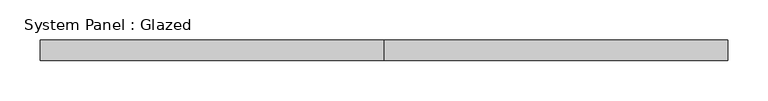
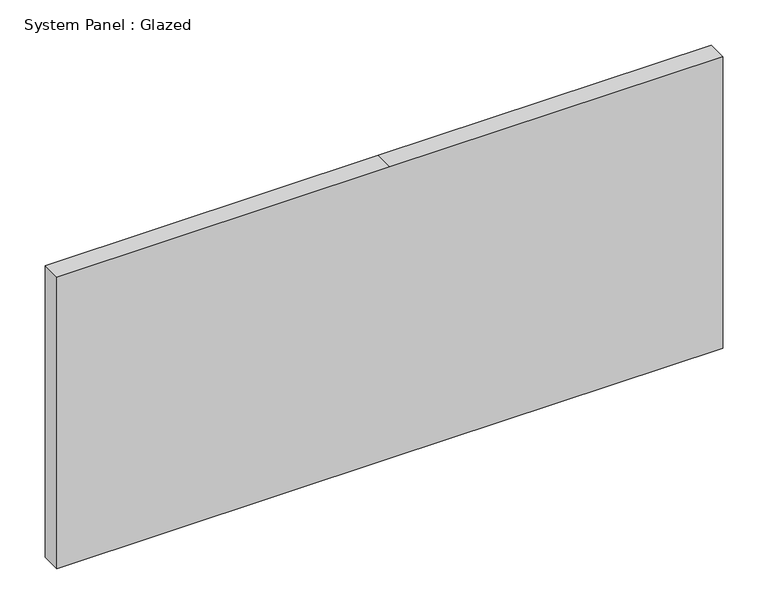
"""IFC4 building model written with IfcOpenShell, lengths in millimetres: plate geometry, System Panel : Glazed."""

import ifcopenshell
import ifcopenshell.guid

model = None  # the IFC model being written
_history = None  # IfcOwnerHistory: only IFC2X3 demands one
_inside = {}  # id of a spatial element -> (the spatial element, [elements in it])
_under = {}  # id of a project, library or spatial element -> (it, [spatial elements below it])
_declared = {}  # id of a project -> (the project, [libraries it declares])
_typed = {}  # id of a type object -> (the type object, [elements of that type])
_made_of = {}  # id of a material, layer set ... -> (it, [elements and type objects made of it])


def new_model(schema):
    """Start an empty IFC model of exactly this schema.

    Asked for "IFC4X3", IfcOpenShell would pick the latest addendum, in which some entities
    have other attributes; the version numbers below select the first issue.
    IFC2X3 requires an IfcOwnerHistory on every rooted entity: one is made here for all.
    """
    global model, _history
    if schema == "IFC4X3":
        model = ifcopenshell.file(schema_version=(4, 3, 0, 0))
    else:
        model = ifcopenshell.file(schema=schema)
    _inside.clear()
    _under.clear()
    _declared.clear()
    _typed.clear()
    _made_of.clear()
    _history = None
    if model.schema == "IFC2X3":
        org = make("IfcOrganization", Name="unknown")
        user = make(
            "IfcPersonAndOrganization",
            ThePerson=make("IfcPerson", FamilyName="unknown"),
            TheOrganization=org,
        )
        app = make(
            "IfcApplication",
            ApplicationDeveloper=org,
            Version="unknown",
            ApplicationFullName="unknown",
            ApplicationIdentifier="unknown",
        )
        _history = make(
            "IfcOwnerHistory",
            OwningUser=user,
            OwningApplication=app,
            ChangeAction="ADDED",
            CreationDate=0,
        )
    return model


def make(cls, **values):
    """One entity of the class cls with the attributes given. An attribute that is None is left unset."""
    return model.create_entity(
        cls, **{name: value for name, value in values.items() if value is not None}
    )


def rooted(cls, **values):
    """An entity with a GlobalId (a new one), such as an element, a storey or a relation."""
    return make(cls, GlobalId=ifcopenshell.guid.new(), OwnerHistory=_history, **values)


def si_unit(unit_type, name, prefix=None):
    """IfcSIUnit, for example si_unit("LENGTHUNIT", "METRE", prefix="MILLI")."""
    return make("IfcSIUnit", UnitType=unit_type, Prefix=prefix, Name=name)


def assignment(units):
    """IfcUnitAssignment: the units of a project."""
    return None if units is None else make("IfcUnitAssignment", Units=units)


def point(xyz):
    """IfcCartesianPoint."""
    return None if xyz is None else make("IfcCartesianPoint", Coordinates=xyz)


def direction(xyz):
    """IfcDirection."""
    return None if xyz is None else make("IfcDirection", DirectionRatios=xyz)


def frame(location, z_axis=None, x_axis=None):
    """IfcAxis2Placement3D, a coordinate frame: its origin and axes. An axis left out is left unset."""
    return make(
        "IfcAxis2Placement3D",
        Location=point(location),
        Axis=direction(z_axis),
        RefDirection=direction(x_axis),
    )


def origin():
    """The frame at (0, 0, 0) with its axes left unset."""
    return frame((0.0, 0.0, 0.0))


def place(relative_to, where):
    """IfcLocalPlacement: puts the frame where relative to a parent placement (None: the world)."""
    return make(
        "IfcLocalPlacement", PlacementRelTo=relative_to, RelativePlacement=where
    )


def context(
    kind, dimensions, precision=None, world=None, true_north=None, identifier=None
):
    """IfcGeometricRepresentationContext, for example the 3D "Model" context."""
    return make(
        "IfcGeometricRepresentationContext",
        ContextIdentifier=identifier,
        ContextType=kind,
        CoordinateSpaceDimension=dimensions,
        Precision=precision,
        WorldCoordinateSystem=world,
        TrueNorth=true_north,
    )


def project(units=None, contexts=None):
    """IfcProject with its units and contexts."""
    return rooted(
        "IfcProject",
        Name="project",
        RepresentationContexts=contexts,
        UnitsInContext=assignment(units),
    )


def spatial(cls, under=None, at=None, **own):
    """A site, building, storey or space (cls), placed at a placement, below another one or the project."""
    s = rooted(cls, ObjectPlacement=at, **own)
    if under is not None:
        _under.setdefault(under.id(), (under, []))[1].append(s)
    return s


def polyline(points):
    """IfcPolyline through the points."""
    return make("IfcPolyline", Points=[point(p) for p in points])


def outline(outer, holes=None, kind="AREA"):
    """IfcArbitraryClosedProfileDef: a profile drawn as a closed curve; with holes, ...WithVoids."""
    if holes is None:
        return make("IfcArbitraryClosedProfileDef", ProfileType=kind, OuterCurve=outer)
    return make(
        "IfcArbitraryProfileDefWithVoids",
        ProfileType=kind,
        OuterCurve=outer,
        InnerCurves=holes,
    )


def extrude(swept, where, along, depth):
    """IfcExtrudedAreaSolid: the profile swept, set in the frame where, extruded along a direction by depth."""
    return make(
        "IfcExtrudedAreaSolid",
        SweptArea=swept,
        Position=where,
        ExtrudedDirection=direction(along),
        Depth=depth,
    )


def shape(context_of_items, identifier, shape_type, items):
    """IfcShapeRepresentation: the items that make up one representation, for example the "Body"."""
    return make(
        "IfcShapeRepresentation",
        ContextOfItems=context_of_items,
        RepresentationIdentifier=identifier,
        RepresentationType=shape_type,
        Items=items,
    )


def source(mapping_origin, context_of_items, identifier, shape_type, items):
    """IfcRepresentationMap: a shape defined once, which mapped items show again and again."""
    return make(
        "IfcRepresentationMap",
        MappingOrigin=mapping_origin,
        MappedRepresentation=shape(context_of_items, identifier, shape_type, items),
    )


def transform(
    local_origin,
    x_axis=None,
    y_axis=None,
    z_axis=None,
    scale=None,
    scale2=None,
    scale3=None,
    uniform=True,
):
    """IfcCartesianTransformationOperator3D, or its non-uniform kind. x_axis, y_axis, z_axis: its Axis1, 2, 3."""
    if uniform:
        return make(
            "IfcCartesianTransformationOperator3D",
            Axis1=direction(x_axis),
            Axis2=direction(y_axis),
            LocalOrigin=point(local_origin),
            Scale=scale,
            Axis3=direction(z_axis),
        )
    return make(
        "IfcCartesianTransformationOperator3DnonUniform",
        Axis1=direction(x_axis),
        Axis2=direction(y_axis),
        LocalOrigin=point(local_origin),
        Scale=scale,
        Axis3=direction(z_axis),
        Scale2=scale2,
        Scale3=scale3,
    )


def mapped(mapping_source, mapping_target):
    """IfcMappedItem: shows the shape of a source again, moved by a transform."""
    return make(
        "IfcMappedItem", MappingSource=mapping_source, MappingTarget=mapping_target
    )


def made_of(thing, what):
    """Note that an element or type object is made of a material, layer set ...; save() writes the relation."""
    if what is not None:
        _made_of.setdefault(what.id(), (what, []))[1].append(thing)
    return thing


def element(
    cls,
    number,
    at=None,
    inside=None,
    cuts=None,
    type_object=None,
    material=None,
    context=None,
    identifier="Body",
    shape_type=None,
    held_by="IfcProductDefinitionShape",
    body=None,
    shapes=None,
    **own,
):
    """One element of the class cls, such as IfcWall. Its Tag is "e" and its number.

    at: its placement. inside: the storey or other place that contains it. cuts: it is an
    opening in that element (IfcRelVoidsElement). A single representation is given by context,
    identifier, shape_type and body (its items); several are given by shapes. held_by: the class
    of the entity that holds the representations. save() writes the other relations.
    """
    e = rooted(cls, Tag="e%d" % number, ObjectPlacement=at, **own)
    if body is not None:
        shapes = [shape(context, identifier, shape_type, body)]
    if shapes is not None:
        e.Representation = make(held_by, Representations=shapes)
    if inside is not None:
        _inside.setdefault(inside.id(), (inside, []))[1].append(e)
    if cuts is not None:
        rooted(
            "IfcRelVoidsElement", RelatingBuildingElement=cuts, RelatedOpeningElement=e
        )
    if type_object is not None:
        _typed.setdefault(type_object.id(), (type_object, []))[1].append(e)
    return made_of(e, material)


def aggregate(whole, parts):
    """IfcRelAggregates: a whole, such as a stair, and the parts it consists of."""
    return rooted("IfcRelAggregates", RelatingObject=whole, RelatedObjects=parts)


def save(model, path):
    """Write the relations noted so far, then the file.

    IfcRelAggregates (storeys below a building ...), IfcRelContainedInSpatialStructure (elements
    in a storey), IfcRelDefinesByType, IfcRelAssociatesMaterial and IfcRelDeclares: one each for
    every whole, place, type object, material and project.
    """
    for whole, parts in _under.values():
        aggregate(whole, parts)
    for where, things in _inside.values():
        rooted(
            "IfcRelContainedInSpatialStructure",
            RelatedElements=things,
            RelatingStructure=where,
        )
    for kind, things in _typed.values():
        rooted("IfcRelDefinesByType", RelatedObjects=things, RelatingType=kind)
    for what, things in _made_of.values():
        rooted("IfcRelAssociatesMaterial", RelatedObjects=things, RelatingMaterial=what)
    for by, libraries in _declared.values():
        rooted("IfcRelDeclares", RelatingContext=by, RelatedDefinitions=libraries)
    model.write(path)


def system_panel_glazed_40af0ba5(model_context):
    return source(origin(), model_context, "Body", "SweptSolid", [
        extrude(outline(polyline([(0.0, -425.45), (0.0, 0.0), (0.0, 425.45), (393.7, 425.45), (393.7, 0.0), (393.7, -425.45), (0.0, -425.45)])), frame((0.0, 19.05, 0.0), z_axis=(0.0, 1.0, 0.0), x_axis=(0.0, 0.0, 1.0)), (0.0, 0.0, 1.0), 25.4),
    ])


if __name__ == "__main__":
    model = new_model("IFC4")
    model_context = context("Model", 3, world=origin())
    ifc_project = project(units=[si_unit("LENGTHUNIT", "METRE", prefix="MILLI")], contexts=[model_context])
    site = spatial("IfcSite", under=ifc_project)
    building = spatial("IfcBuilding", under=site)
    placement = place(None, origin())
    system_panel_glazed_shape = system_panel_glazed_40af0ba5(model_context)
    element("IfcPlate", 1, ObjectType="System Panel : Glazed", at=placement, inside=building, context=model_context, shape_type="MappedRepresentation", body=[
        mapped(system_panel_glazed_shape, transform((0.0, 0.0, 0.0), x_axis=(1.0, 0.0, 0.0), y_axis=(0.0, 1.0, 0.0), z_axis=(0.0, 0.0, 1.0))),
    ])
    save(model, "model.ifc")
